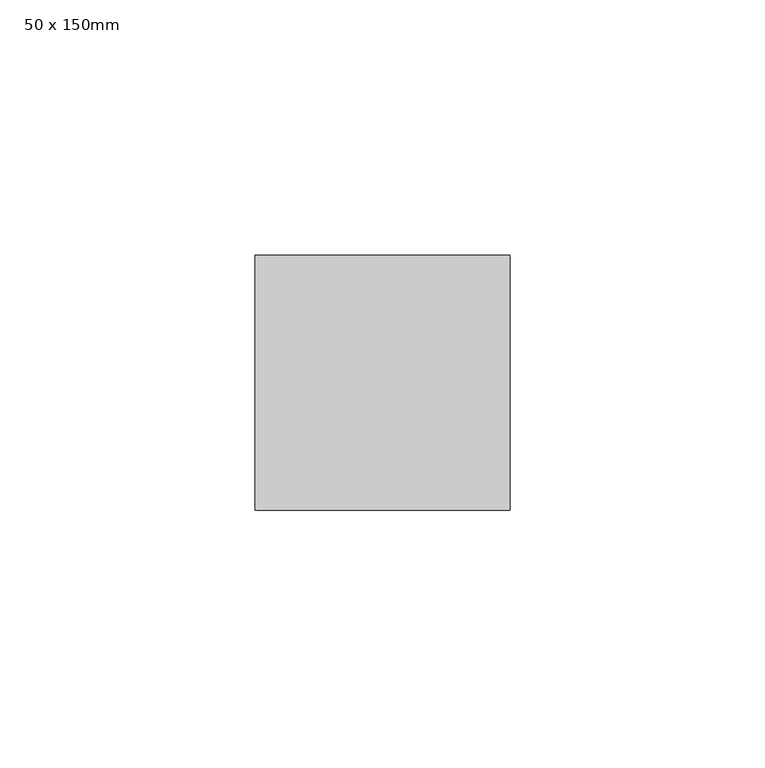
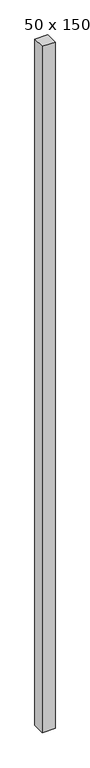
"""IFC4 building model written with IfcOpenShell, lengths in millimetres: member geometry, 50 x 150mm."""

from ifc_helpers import new_model, si_unit, frame, origin, place, context, project, spatial, polyline, outline, extrude, source, transform, mapped, element, save


def member_50_x_150mm_a2578360(model_context):
    return source(origin(), model_context, "Body", "SweptSolid", [
        extrude(outline(polyline([(25.0, 25.0), (25.0, -25.0), (-25.0, -25.0), (-25.0, 25.0), (25.0, 25.0)])), frame((0.0, 0.0, -2843.3333333), z_axis=(0.0, 0.0, 1.0), x_axis=(1.0, 0.0, 0.0)), (0.0, 0.0, 1.0), 2843.3333333),
    ])


if __name__ == "__main__":
    model = new_model("IFC4")
    model_context = context("Model", 3, world=origin())
    ifc_project = project(units=[si_unit("LENGTHUNIT", "METRE", prefix="MILLI")], contexts=[model_context])
    site = spatial("IfcSite", under=ifc_project)
    building = spatial("IfcBuilding", under=site)
    placement = place(None, origin())
    member_50_x_150mm_shape = member_50_x_150mm_a2578360(model_context)
    element("IfcMember", 1, ObjectType="50 x 150mm", at=placement, inside=building, context=model_context, shape_type="MappedRepresentation", body=[
        mapped(member_50_x_150mm_shape, transform((0.0, 0.0, 0.0), x_axis=(1.0, 0.0, 0.0), y_axis=(0.0, 1.0, 0.0), z_axis=(0.0, 0.0, 1.0))),
    ])
    save(model, "model.ifc")
